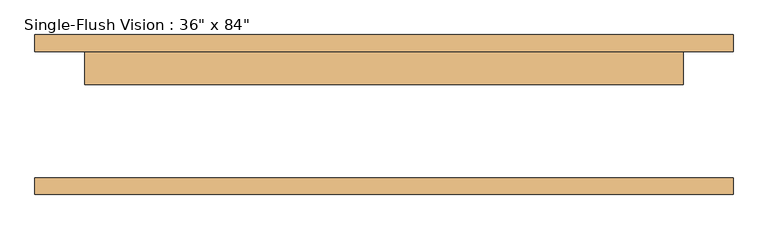
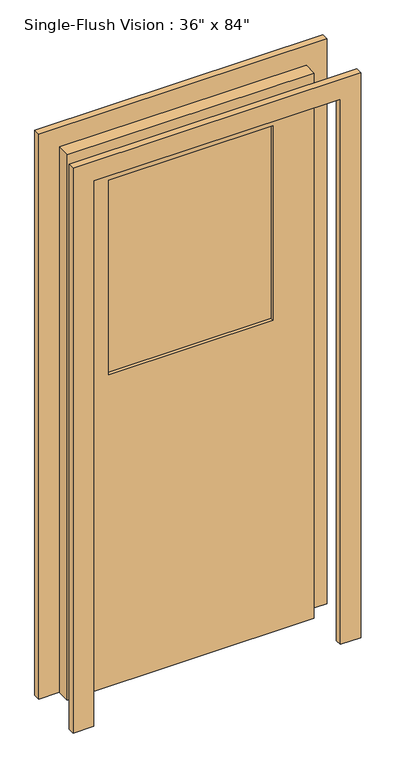
"""IFC4 building model written with IfcOpenShell, lengths in millimetres: door geometry."""

import ifcopenshell
import ifcopenshell.guid

model = None  # the IFC model being written
_history = None  # IfcOwnerHistory: only IFC2X3 demands one
_inside = {}  # id of a spatial element -> (the spatial element, [elements in it])
_under = {}  # id of a project, library or spatial element -> (it, [spatial elements below it])
_declared = {}  # id of a project -> (the project, [libraries it declares])
_typed = {}  # id of a type object -> (the type object, [elements of that type])
_made_of = {}  # id of a material, layer set ... -> (it, [elements and type objects made of it])


def new_model(schema):
    """Start an empty IFC model of exactly this schema.

    Asked for "IFC4X3", IfcOpenShell would pick the latest addendum, in which some entities
    have other attributes; the version numbers below select the first issue.
    IFC2X3 requires an IfcOwnerHistory on every rooted entity: one is made here for all.
    """
    global model, _history
    if schema == "IFC4X3":
        model = ifcopenshell.file(schema_version=(4, 3, 0, 0))
    else:
        model = ifcopenshell.file(schema=schema)
    _inside.clear()
    _under.clear()
    _declared.clear()
    _typed.clear()
    _made_of.clear()
    _history = None
    if model.schema == "IFC2X3":
        org = make("IfcOrganization", Name="unknown")
        user = make(
            "IfcPersonAndOrganization",
            ThePerson=make("IfcPerson", FamilyName="unknown"),
            TheOrganization=org,
        )
        app = make(
            "IfcApplication",
            ApplicationDeveloper=org,
            Version="unknown",
            ApplicationFullName="unknown",
            ApplicationIdentifier="unknown",
        )
        _history = make(
            "IfcOwnerHistory",
            OwningUser=user,
            OwningApplication=app,
            ChangeAction="ADDED",
            CreationDate=0,
        )
    return model


def make(cls, **values):
    """One entity of the class cls with the attributes given. An attribute that is None is left unset."""
    return model.create_entity(
        cls, **{name: value for name, value in values.items() if value is not None}
    )


def rooted(cls, **values):
    """An entity with a GlobalId (a new one), such as an element, a storey or a relation."""
    return make(cls, GlobalId=ifcopenshell.guid.new(), OwnerHistory=_history, **values)


def si_unit(unit_type, name, prefix=None):
    """IfcSIUnit, for example si_unit("LENGTHUNIT", "METRE", prefix="MILLI")."""
    return make("IfcSIUnit", UnitType=unit_type, Prefix=prefix, Name=name)


def assignment(units):
    """IfcUnitAssignment: the units of a project."""
    return None if units is None else make("IfcUnitAssignment", Units=units)


def point(xyz):
    """IfcCartesianPoint."""
    return None if xyz is None else make("IfcCartesianPoint", Coordinates=xyz)


def direction(xyz):
    """IfcDirection."""
    return None if xyz is None else make("IfcDirection", DirectionRatios=xyz)


def frame(location, z_axis=None, x_axis=None):
    """IfcAxis2Placement3D, a coordinate frame: its origin and axes. An axis left out is left unset."""
    return make(
        "IfcAxis2Placement3D",
        Location=point(location),
        Axis=direction(z_axis),
        RefDirection=direction(x_axis),
    )


def origin():
    """The frame at (0, 0, 0) with its axes left unset."""
    return frame((0.0, 0.0, 0.0))


def place(relative_to, where):
    """IfcLocalPlacement: puts the frame where relative to a parent placement (None: the world)."""
    return make(
        "IfcLocalPlacement", PlacementRelTo=relative_to, RelativePlacement=where
    )


def context(
    kind, dimensions, precision=None, world=None, true_north=None, identifier=None
):
    """IfcGeometricRepresentationContext, for example the 3D "Model" context."""
    return make(
        "IfcGeometricRepresentationContext",
        ContextIdentifier=identifier,
        ContextType=kind,
        CoordinateSpaceDimension=dimensions,
        Precision=precision,
        WorldCoordinateSystem=world,
        TrueNorth=true_north,
    )


def project(units=None, contexts=None):
    """IfcProject with its units and contexts."""
    return rooted(
        "IfcProject",
        Name="project",
        RepresentationContexts=contexts,
        UnitsInContext=assignment(units),
    )


def spatial(cls, under=None, at=None, **own):
    """A site, building, storey or space (cls), placed at a placement, below another one or the project."""
    s = rooted(cls, ObjectPlacement=at, **own)
    if under is not None:
        _under.setdefault(under.id(), (under, []))[1].append(s)
    return s


def polyline(points):
    """IfcPolyline through the points."""
    return make("IfcPolyline", Points=[point(p) for p in points])


def outline(outer, holes=None, kind="AREA"):
    """IfcArbitraryClosedProfileDef: a profile drawn as a closed curve; with holes, ...WithVoids."""
    if holes is None:
        return make("IfcArbitraryClosedProfileDef", ProfileType=kind, OuterCurve=outer)
    return make(
        "IfcArbitraryProfileDefWithVoids",
        ProfileType=kind,
        OuterCurve=outer,
        InnerCurves=holes,
    )


def extrude(swept, where, along, depth):
    """IfcExtrudedAreaSolid: the profile swept, set in the frame where, extruded along a direction by depth."""
    return make(
        "IfcExtrudedAreaSolid",
        SweptArea=swept,
        Position=where,
        ExtrudedDirection=direction(along),
        Depth=depth,
    )


def shape(context_of_items, identifier, shape_type, items):
    """IfcShapeRepresentation: the items that make up one representation, for example the "Body"."""
    return make(
        "IfcShapeRepresentation",
        ContextOfItems=context_of_items,
        RepresentationIdentifier=identifier,
        RepresentationType=shape_type,
        Items=items,
    )


def source(mapping_origin, context_of_items, identifier, shape_type, items):
    """IfcRepresentationMap: a shape defined once, which mapped items show again and again."""
    return make(
        "IfcRepresentationMap",
        MappingOrigin=mapping_origin,
        MappedRepresentation=shape(context_of_items, identifier, shape_type, items),
    )


def transform(
    local_origin,
    x_axis=None,
    y_axis=None,
    z_axis=None,
    scale=None,
    scale2=None,
    scale3=None,
    uniform=True,
):
    """IfcCartesianTransformationOperator3D, or its non-uniform kind. x_axis, y_axis, z_axis: its Axis1, 2, 3."""
    if uniform:
        return make(
            "IfcCartesianTransformationOperator3D",
            Axis1=direction(x_axis),
            Axis2=direction(y_axis),
            LocalOrigin=point(local_origin),
            Scale=scale,
            Axis3=direction(z_axis),
        )
    return make(
        "IfcCartesianTransformationOperator3DnonUniform",
        Axis1=direction(x_axis),
        Axis2=direction(y_axis),
        LocalOrigin=point(local_origin),
        Scale=scale,
        Axis3=direction(z_axis),
        Scale2=scale2,
        Scale3=scale3,
    )


def mapped(mapping_source, mapping_target):
    """IfcMappedItem: shows the shape of a source again, moved by a transform."""
    return make(
        "IfcMappedItem", MappingSource=mapping_source, MappingTarget=mapping_target
    )


def made_of(thing, what):
    """Note that an element or type object is made of a material, layer set ...; save() writes the relation."""
    if what is not None:
        _made_of.setdefault(what.id(), (what, []))[1].append(thing)
    return thing


def element(
    cls,
    number,
    at=None,
    inside=None,
    cuts=None,
    type_object=None,
    material=None,
    context=None,
    identifier="Body",
    shape_type=None,
    held_by="IfcProductDefinitionShape",
    body=None,
    shapes=None,
    **own,
):
    """One element of the class cls, such as IfcWall. Its Tag is "e" and its number.

    at: its placement. inside: the storey or other place that contains it. cuts: it is an
    opening in that element (IfcRelVoidsElement). A single representation is given by context,
    identifier, shape_type and body (its items); several are given by shapes. held_by: the class
    of the entity that holds the representations. save() writes the other relations.
    """
    e = rooted(cls, Tag="e%d" % number, ObjectPlacement=at, **own)
    if body is not None:
        shapes = [shape(context, identifier, shape_type, body)]
    if shapes is not None:
        e.Representation = make(held_by, Representations=shapes)
    if inside is not None:
        _inside.setdefault(inside.id(), (inside, []))[1].append(e)
    if cuts is not None:
        rooted(
            "IfcRelVoidsElement", RelatingBuildingElement=cuts, RelatedOpeningElement=e
        )
    if type_object is not None:
        _typed.setdefault(type_object.id(), (type_object, []))[1].append(e)
    return made_of(e, material)


def aggregate(whole, parts):
    """IfcRelAggregates: a whole, such as a stair, and the parts it consists of."""
    return rooted("IfcRelAggregates", RelatingObject=whole, RelatedObjects=parts)


def save(model, path):
    """Write the relations noted so far, then the file.

    IfcRelAggregates (storeys below a building ...), IfcRelContainedInSpatialStructure (elements
    in a storey), IfcRelDefinesByType, IfcRelAssociatesMaterial and IfcRelDeclares: one each for
    every whole, place, type object, material and project.
    """
    for whole, parts in _under.values():
        aggregate(whole, parts)
    for where, things in _inside.values():
        rooted(
            "IfcRelContainedInSpatialStructure",
            RelatedElements=things,
            RelatingStructure=where,
        )
    for kind, things in _typed.values():
        rooted("IfcRelDefinesByType", RelatedObjects=things, RelatingType=kind)
    for what, things in _made_of.values():
        rooted("IfcRelAssociatesMaterial", RelatedObjects=things, RelatingMaterial=what)
    for by, libraries in _declared.values():
        rooted("IfcRelDeclares", RelatingContext=by, RelatedDefinitions=libraries)
    model.write(path)


def door_6fc092b4(model_context):
    return source(origin(), model_context, "Body", "SweptSolid", [
        extrude(outline(polyline([(2209.8, -533.4), (0.0, -533.4), (0.0, -457.2), (2133.6, -457.2), (2133.6, 457.2), (0.0, 457.2), (0.0, 533.4), (2209.8, 533.4), (2209.8, -533.4)])), frame((0.0, 96.8375, 0.0), z_axis=(0.0, 1.0, 0.0), x_axis=(0.0, 0.0, 1.0)), (0.0, 0.0, 1.0), 25.4),
        extrude(outline(polyline([(2133.6, 457.2), (0.0, 457.2), (0.0, 533.4), (2209.8, 533.4), (2209.8, -533.4), (0.0, -533.4), (0.0, -457.2), (2133.6, -457.2), (2133.6, 457.2)])), frame((0.0, -122.2375, 0.0), z_axis=(0.0, 1.0, 0.0), x_axis=(0.0, 0.0, 1.0)), (0.0, 0.0, 1.0), 25.4),
        extrude(outline(polyline([(304.8, 58.7375), (-304.8, 58.7375), (-304.8, 65.0875), (304.8, 65.0875), (304.8, 58.7375)])), frame((0.0, 0.0, 1219.2), z_axis=(0.0, 0.0, 1.0), x_axis=(1.0, 0.0, 0.0)), (0.0, 0.0, 1.0), 762.0),
        extrude(outline(polyline([(304.8, 77.7875), (-304.8, 77.7875), (-304.8, 84.1375), (304.8, 84.1375), (304.8, 77.7875)])), frame((0.0, 0.0, 1219.2), z_axis=(0.0, 0.0, 1.0), x_axis=(1.0, 0.0, 0.0)), (0.0, 0.0, 1.0), 762.0),
        extrude(outline(polyline([(2133.6, -457.2), (0.0, -457.2), (0.0, 457.2), (2133.6, 457.2), (2133.6, -457.2)]), holes=[polyline([(1981.2, -304.8), (1981.2, 304.8), (1219.2, 304.8), (1219.2, -304.8), (1981.2, -304.8)])]), frame((0.0, 46.0375, 0.0), z_axis=(0.0, 1.0, 0.0), x_axis=(0.0, 0.0, 1.0)), (0.0, 0.0, 1.0), 50.8),
    ])


if __name__ == "__main__":
    model = new_model("IFC4")
    model_context = context("Model", 3, world=origin())
    ifc_project = project(units=[si_unit("LENGTHUNIT", "METRE", prefix="MILLI")], contexts=[model_context])
    site = spatial("IfcSite", under=ifc_project)
    building = spatial("IfcBuilding", under=site)
    placement = place(None, origin())
    door_shape = door_6fc092b4(model_context)
    element("IfcDoor", 1, ObjectType="Single-Flush Vision : 36\" x 84\"", at=placement, inside=building, context=model_context, shape_type="MappedRepresentation", body=[
        mapped(door_shape, transform((0.0, 0.0, 0.0), x_axis=(1.0, 0.0, 0.0), y_axis=(0.0, 1.0, 0.0), z_axis=(0.0, 0.0, 1.0))),
    ])
    save(model, "model.ifc")
